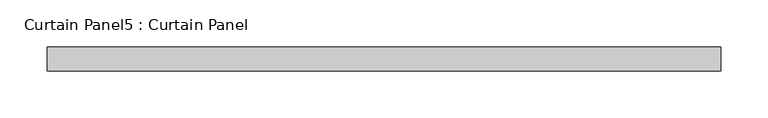
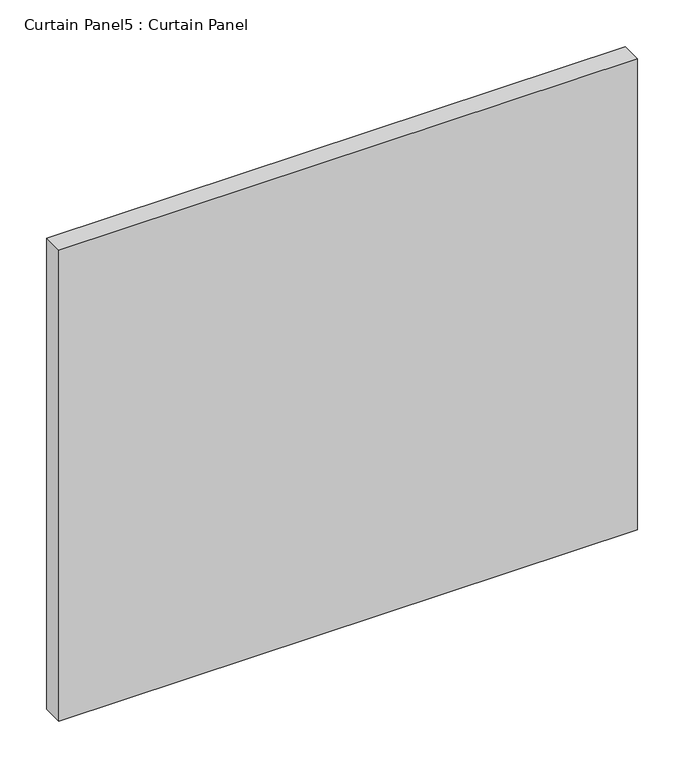
"""IFC4 building model written with IfcOpenShell, lengths in millimetres: plate geometry, Curtain Panel5 : Curtain Panel."""

from ifc_helpers import new_model, si_unit, frame, origin, place, context, project, spatial, polyline, outline, extrude, source, transform, mapped, element, save


def curtain_panel5_curtain_panel_28aae381(model_context):
    return source(origin(), model_context, "Body", "SweptSolid", [
        extrude(outline(polyline([(4709.5292464, 3568.3617926), (3994.9422083, 3568.3617926), (3994.9422083, 3593.7617926), (4709.5292464, 3593.7617926), (4709.5292464, 3568.3617926)])), frame((0.0, 0.0, 39.798625), z_axis=(0.0, 0.0, 1.0), x_axis=(1.0, 0.0, 0.0)), (0.0, 0.0, 1.0), 614.6550613),
    ])


if __name__ == "__main__":
    model = new_model("IFC4")
    model_context = context("Model", 3, world=origin())
    ifc_project = project(units=[si_unit("LENGTHUNIT", "METRE", prefix="MILLI")], contexts=[model_context])
    site = spatial("IfcSite", under=ifc_project)
    building = spatial("IfcBuilding", under=site)
    placement = place(None, origin())
    curtain_panel5_curtain_panel_shape = curtain_panel5_curtain_panel_28aae381(model_context)
    element("IfcPlate", 1, ObjectType="Curtain Panel5 : Curtain Panel", at=placement, inside=building, context=model_context, shape_type="MappedRepresentation", body=[
        mapped(curtain_panel5_curtain_panel_shape, transform((0.0, 0.0, 0.0), x_axis=(1.0, 0.0, 0.0), y_axis=(0.0, 1.0, 0.0), z_axis=(0.0, 0.0, 1.0))),
    ])
    save(model, "model.ifc")
